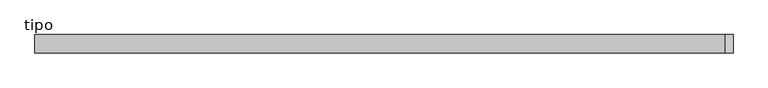
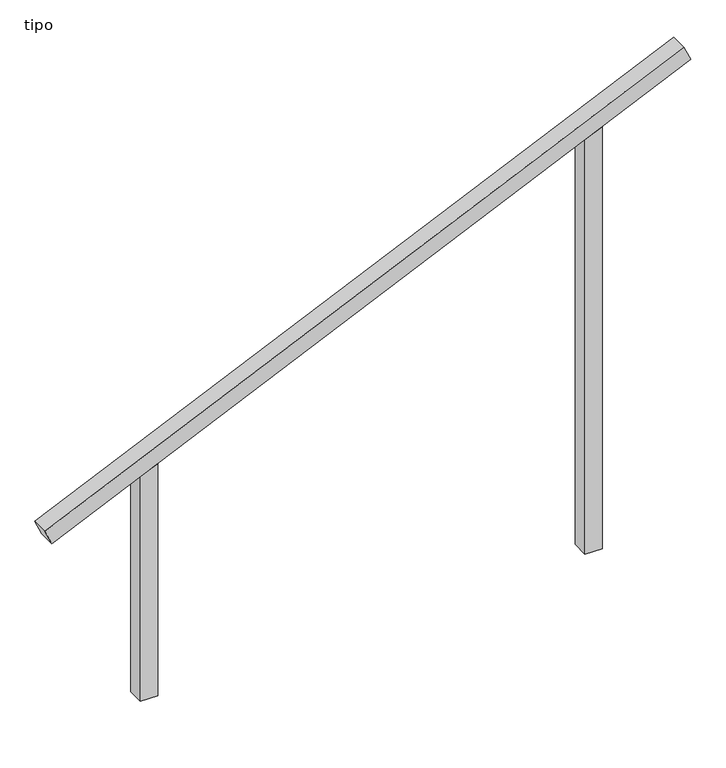
"""IFC4 building model written with IfcOpenShell, lengths in millimetres: proxy geometry, tipo."""

from ifc_helpers import new_model, si_unit, frame, origin, place, context, project, spatial, polyline, outline, extrude, source, transform, mapped, element, save


def tipo_3d43ed28(model_context):
    return source(origin(), model_context, "Body", "SweptSolid", [
        extrude(outline(polyline([(0.0, -4100.0), (0.0, 0.0), (100.0, 0.0), (100.0, -4100.0), (0.0, -4100.0)])), frame((-1868.6000468, -100.0, 1156.89036), z_axis=(-0.41127299513186255, 0.0, 0.9115122179517218), x_axis=(0.0, 1.0, 0.0)), (0.0, 0.0, 1.0), 100.0),
        extrude(outline(polyline([(2609.1180485, 1350.0), (2563.9981931, 1250.0), (0.0, 1250.0), (0.0, 1350.0), (2609.1180485, 1350.0)])), frame((0.0, -100.0, 0.0), z_axis=(0.0, 1.0, 0.0), x_axis=(0.0, 0.0, 1.0)), (0.0, 0.0, 1.0), 100.0),
        extrude(outline(polyline([(1390.8819515, -1350.0), (0.0, -1350.0), (0.0, -1250.0), (1436.0018069, -1250.0), (1390.8819515, -1350.0)])), frame((0.0, -100.0, 0.0), z_axis=(0.0, 1.0, 0.0), x_axis=(0.0, 0.0, 1.0)), (0.0, 0.0, 1.0), 100.0),
    ])


if __name__ == "__main__":
    model = new_model("IFC4")
    model_context = context("Model", 3, world=origin())
    ifc_project = project(units=[si_unit("LENGTHUNIT", "METRE", prefix="MILLI")], contexts=[model_context])
    site = spatial("IfcSite", under=ifc_project)
    building = spatial("IfcBuilding", under=site)
    placement = place(None, origin())
    tipo_shape = tipo_3d43ed28(model_context)
    element("IfcBuildingElementProxy", 1, Name="tipo", ObjectType="tipo", at=placement, inside=building, context=model_context, shape_type="MappedRepresentation", body=[
        mapped(tipo_shape, transform((0.0, 0.0, 0.0), x_axis=(1.0, 0.0, 0.0), y_axis=(0.0, 1.0, 0.0), z_axis=(0.0, 0.0, 1.0))),
    ])
    save(model, "model.ifc")
